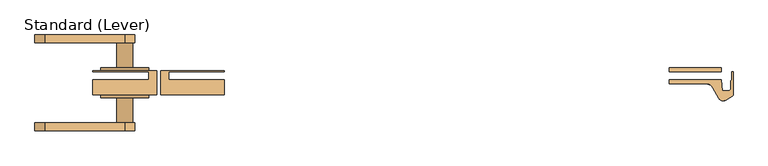
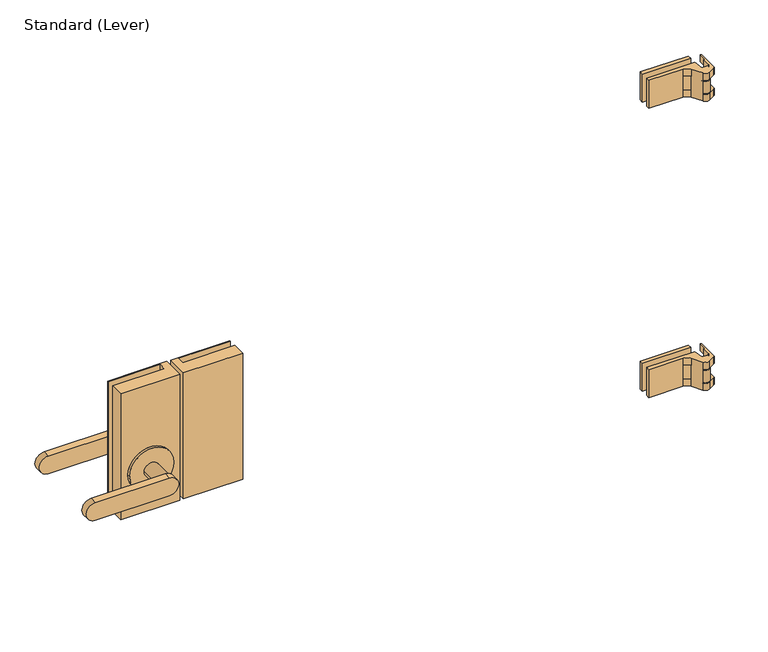
"""IFC4 building model written with IfcOpenShell, lengths in millimetres: door geometry, Standard (Lever)."""

from ifc_helpers import new_model, si_unit, frame, origin, place, context, project, spatial, polyline, circle_curve, outline, extrude, source, transform, mapped, element, save
from ifc_brep_helpers import plane_surface, cylinder_surface, revolved_surface, advanced_brep


def standard_lever_eec318dc(model_context):
    return source(origin(), model_context, "Body", "SolidModel", [
        extrude(outline(polyline([(-592.1375, -29.36875), (-592.1375, 8.73125), (-490.5375, 8.73125), (-490.5375, 7.14375), (-579.4375, 7.14375), (-579.4375, -5.55625), (-490.5375, -5.55625), (-490.5375, -29.36875), (-592.1375, -29.36875)])), frame((0.0, 0.0, 889.0), z_axis=(0.0, 0.0, 1.0), x_axis=(1.0, 0.0, 0.0)), (0.0, 0.0, 1.0), 228.6),
        advanced_brep(
        [(-598.4875, -29.36875, 1117.6), (-598.4875, 8.73125, 1117.6), (-700.0875, 8.73125, 1117.6), (-700.0875, 7.14375, 1117.6), (-611.1875, 7.14375, 1117.6), (-611.1875, -5.55625, 1117.6), (-700.0875, -5.55625, 1117.6), (-700.0875, -29.36875, 1117.6), (-598.4875, -29.36875, 889.0), (-700.0875, -29.36875, 889.0), (-700.0875, -5.55625, 889.0), (-611.1875, -5.55625, 889.0), (-611.1875, 7.14375, 889.0), (-700.0875, 7.14375, 889.0), (-700.0875, 8.73125, 889.0), (-598.4875, 8.73125, 889.0), (-611.1875, -29.36875, 965.2), (-687.3875, -29.36875, 965.2), (-611.1875, 13.49375, 965.2), (-687.3875, 13.49375, 965.2), (-661.9875, 13.49375, 965.2), (-636.5875, 13.49375, 965.2), (-611.1875, 8.73125, 965.2), (-687.3875, 8.73125, 965.2), (-636.5875, 53.18125, 965.2), (-661.9875, 53.18125, 965.2), (-776.2875, 65.88125, 949.325), (-776.2875, 65.88125, 981.075), (-649.2875, 65.88125, 981.075), (-649.2875, 65.88125, 949.325), (-776.2875, 53.18125, 949.325), (-649.2875, 53.18125, 949.325), (-649.2875, 53.18125, 981.075), (-776.2875, 53.18125, 981.075), (-636.5875, -34.13125, 965.2), (-636.5875, -73.81875, 965.2), (-661.9875, -73.81875, 965.2), (-661.9875, -34.13125, 965.2), (-611.1875, -34.13125, 965.2), (-687.3875, -34.13125, 965.2), (-649.2875, -73.81875, 949.325), (-776.2875, -73.81875, 949.325), (-776.2875, -73.81875, 981.075), (-649.2875, -73.81875, 981.075), (-649.2875, -86.51875, 949.325), (-649.2875, -86.51875, 981.075), (-776.2875, -86.51875, 981.075), (-776.2875, -86.51875, 949.325)],
        [
            (0, 1),
            (1, 2),
            (2, 3),
            (3, 4),
            (4, 5),
            (5, 6),
            (6, 7),
            (7, 0),
            (8, 9),
            (9, 10),
            (10, 11),
            (11, 12),
            (12, 13),
            (13, 14),
            (14, 15),
            (15, 8),
            (0, 8),
            (15, 1),
            (5, 11),
            (10, 6),
            (9, 7),
            (16, 17, circle_curve(frame((-649.2875, -29.36875, 965.2), z_axis=(0.0, 1.0, 0.0), x_axis=(-1.0, 0.0, 0.0)), 38.1)),
            (17, 16, circle_curve(frame((-649.2875, -29.36875, 965.2), z_axis=(0.0, 1.0, 0.0), x_axis=(-1.0, 0.0, 0.0)), 38.1)),
            (2, 14),
            (13, 3),
            (12, 4),
            (18, 19, circle_curve(frame((-649.2875, 13.49375, 965.2), z_axis=(0.0, 1.0, 0.0), x_axis=(-1.0, 0.0, 0.0)), 38.1)),
            (19, 18, circle_curve(frame((-649.2875, 13.49375, 965.2), z_axis=(0.0, 1.0, 0.0), x_axis=(-1.0, 0.0, 0.0)), 38.1)),
            (20, 21, circle_curve(frame((-649.2875, 13.49375, 965.2), z_axis=(0.0, -1.0, 0.0), x_axis=(-1.0, 0.0, 0.0)), 12.7)),
            (21, 20, circle_curve(frame((-649.2875, 13.49375, 965.2), z_axis=(0.0, -1.0, 0.0), x_axis=(-1.0, 0.0, 0.0)), 12.7)),
            (18, 22),
            (22, 23, circle_curve(frame((-649.2875, 8.73125, 965.2), z_axis=(0.0, 1.0, 0.0), x_axis=(-1.0, 0.0, 0.0)), 38.1)),
            (23, 19),
            (23, 22, circle_curve(frame((-649.2875, 8.73125, 965.2), z_axis=(0.0, 1.0, 0.0), x_axis=(-1.0, 0.0, 0.0)), 38.1)),
            (24, 21),
            (20, 25),
            (25, 24, circle_curve(frame((-649.2875, 53.18125, 965.2), z_axis=(0.0, -1.0, 0.0), x_axis=(-1.0, 0.0, 0.0)), 12.7)),
            (24, 25, circle_curve(frame((-649.2875, 53.18125, 965.2), z_axis=(0.0, -1.0, 0.0), x_axis=(-1.0, 0.0, 0.0)), 12.7)),
            (26, 27, circle_curve(frame((-776.2875, 65.88125, 965.2), z_axis=(0.0, 1.0, 0.0), x_axis=(-1.0, 0.0, 0.0)), 15.875)),
            (27, 28),
            (28, 29, circle_curve(frame((-649.2875, 65.88125, 965.2), z_axis=(0.0, 1.0, 0.0), x_axis=(-1.0, 0.0, 0.0)), 15.875)),
            (29, 26),
            (30, 31),
            (31, 32, circle_curve(frame((-649.2875, 53.18125, 965.2), z_axis=(0.0, -1.0, 0.0), x_axis=(-1.0, 0.0, 0.0)), 15.875)),
            (32, 33),
            (33, 30, circle_curve(frame((-776.2875, 53.18125, 965.2), z_axis=(0.0, -1.0, 0.0), x_axis=(-1.0, 0.0, 0.0)), 15.875)),
            (26, 30),
            (33, 27),
            (32, 28),
            (31, 29),
            (34, 35),
            (35, 36, circle_curve(frame((-649.2875, -73.81875, 965.2), z_axis=(0.0, 1.0, 0.0), x_axis=(-1.0, 0.0, 0.0)), 12.7)),
            (36, 37),
            (37, 34, circle_curve(frame((-649.2875, -34.13125, 965.2), z_axis=(0.0, -1.0, 0.0), x_axis=(-1.0, 0.0, 0.0)), 12.7)),
            (34, 37, circle_curve(frame((-649.2875, -34.13125, 965.2), z_axis=(0.0, -1.0, 0.0), x_axis=(-1.0, 0.0, 0.0)), 12.7)),
            (36, 35, circle_curve(frame((-649.2875, -73.81875, 965.2), z_axis=(0.0, 1.0, 0.0), x_axis=(-1.0, 0.0, 0.0)), 12.7)),
            (38, 39, circle_curve(frame((-649.2875, -34.13125, 965.2), z_axis=(0.0, -1.0, 0.0), x_axis=(-1.0, 0.0, 0.0)), 38.1)),
            (39, 38, circle_curve(frame((-649.2875, -34.13125, 965.2), z_axis=(0.0, -1.0, 0.0), x_axis=(-1.0, 0.0, 0.0)), 38.1)),
            (39, 17),
            (16, 38),
            (40, 41),
            (41, 42, circle_curve(frame((-776.2875, -73.81875, 965.2), z_axis=(0.0, 1.0, 0.0), x_axis=(-1.0, 0.0, 0.0)), 15.875)),
            (42, 43),
            (43, 40, circle_curve(frame((-649.2875, -73.81875, 965.2), z_axis=(0.0, 1.0, 0.0), x_axis=(-1.0, 0.0, 0.0)), 15.875)),
            (44, 45, circle_curve(frame((-649.2875, -86.51875, 965.2), z_axis=(0.0, -1.0, 0.0), x_axis=(-1.0, 0.0, 0.0)), 15.875)),
            (45, 46),
            (46, 47, circle_curve(frame((-776.2875, -86.51875, 965.2), z_axis=(0.0, -1.0, 0.0), x_axis=(-1.0, 0.0, 0.0)), 15.875)),
            (47, 44),
            (40, 44),
            (47, 41),
            (46, 42),
            (45, 43),
        ],
        [
            plane_surface(frame((-598.4875, -117.2130478, 1117.6), z_axis=(0.0, 0.0, 1.0), x_axis=(0.0, 1.0, 0.0))),
            plane_surface(frame((-598.4875, -117.2130478, 889.0), z_axis=(0.0, 0.0, -1.0), x_axis=(0.0, -1.0, 0.0))),
            plane_surface(frame((-598.4875, -29.36875, 1117.6), z_axis=(1.0, 0.0, 0.0), x_axis=(0.0, 0.0, -1.0))),
            plane_surface(frame((-611.1875, -5.55625, 1117.6), z_axis=(0.0, 1.0, 0.0), x_axis=(0.0, 0.0, -1.0))),
            plane_surface(frame((-700.0875, -5.55625, 1117.6), z_axis=(-1.0, 0.0, 0.0), x_axis=(0.0, 0.0, -1.0))),
            plane_surface(frame((-700.0875, -29.36875, 1117.6), z_axis=(0.0, -1.0, 0.0), x_axis=(0.0, 0.0, -1.0))),
            plane_surface(frame((-700.0875, 8.73125, 1117.6), z_axis=(-1.0, 0.0, 0.0), x_axis=(0.0, 0.0, -1.0))),
            plane_surface(frame((-700.0875, 7.14375, 1117.6), z_axis=(0.0, -1.0, 0.0), x_axis=(0.0, 0.0, -1.0))),
            plane_surface(frame((-687.3875, 13.49375, 965.2), z_axis=(0.0, 1.0, 0.0), x_axis=(0.0, 0.0, 1.0))),
            cylinder_surface(frame((-649.2875, 8.73125, 965.2), z_axis=(0.0, 1.0, 0.0), x_axis=(-1.0, 0.0, 0.0)), 38.1),
            cylinder_surface(frame((-649.2875, 13.49375, 965.2), z_axis=(0.0, 1.0, 0.0), x_axis=(-1.0, 0.0, 0.0)), 12.7),
            plane_surface(frame((-792.1625, 65.88125, 965.2), z_axis=(0.0, 1.0, 0.0), x_axis=(0.0, 0.0, 1.0))),
            plane_surface(frame((-792.1625, 53.18125, 965.2), z_axis=(0.0, -1.0, 0.0), x_axis=(0.0, 0.0, -1.0))),
            cylinder_surface(frame((-776.2875, 53.18125, 965.2), z_axis=(0.0, 1.0, 0.0), x_axis=(-1.0, 0.0, 0.0)), 15.875),
            plane_surface(frame((-776.2875, 65.88125, 981.075), z_axis=(0.0, 0.0, 1.0), x_axis=(0.0, -1.0, 0.0))),
            cylinder_surface(frame((-649.2875, 53.18125, 965.2), z_axis=(0.0, 1.0, 0.0), x_axis=(-1.0, 0.0, 0.0)), 15.875),
            plane_surface(frame((-649.2875, 65.88125, 949.325), z_axis=(0.0, 0.0, -1.0), x_axis=(0.0, -1.0, 0.0))),
            cylinder_surface(frame((-649.2875, -73.81875, 965.2), z_axis=(0.0, 1.0, 0.0), x_axis=(-1.0, 0.0, 0.0)), 12.7),
            plane_surface(frame((-687.3875, -34.13125, 965.2), z_axis=(0.0, -1.0, 0.0), x_axis=(0.0, 0.0, -1.0))),
            cylinder_surface(frame((-649.2875, -34.13125, 965.2), z_axis=(0.0, 1.0, 0.0), x_axis=(-1.0, 0.0, 0.0)), 38.1),
            plane_surface(frame((-649.2875, -73.81875, 949.325), z_axis=(0.0, 1.0, 0.0), x_axis=(-1.0, 0.0, 0.0))),
            plane_surface(frame((-649.2875, -86.51875, 949.325), z_axis=(0.0, -1.0, 0.0), x_axis=(1.0, 0.0, 0.0))),
            plane_surface(frame((-649.2875, -73.81875, 949.325), z_axis=(0.0, 0.0, -1.0), x_axis=(0.0, -1.0, 0.0))),
            cylinder_surface(frame((-776.2875, -86.51875, 965.2), z_axis=(0.0, 1.0, 0.0), x_axis=(-1.0, 0.0, 0.0)), 15.875),
            plane_surface(frame((-776.2875, -73.81875, 981.075), z_axis=(0.0, 0.0, 1.0), x_axis=(0.0, -1.0, 0.0))),
            cylinder_surface(frame((-649.2875, -86.51875, 965.2), z_axis=(0.0, 1.0, 0.0), x_axis=(-1.0, 0.0, 0.0)), 15.875),
            plane_surface(frame((-598.4875, 8.73125, 1117.6), z_axis=(0.0, 1.0, 0.0), x_axis=(0.0, 0.0, -1.0))),
            plane_surface(frame((-611.1875, 7.14375, 1117.6), z_axis=(-1.0, 0.0, 0.0), x_axis=(0.0, 0.0, -1.0))),
        ],
        [
            (0, [[1, 2, 3, 4, 5, 6, 7, 8]]),
            (1, [[9, 10, 11, 12, 13, 14, 15, 16]]),
            (2, [[-1, 17, -16, 18]]),
            (3, [[-6, 19, -11, 20]]),
            (4, [[-7, -20, -10, 21]]),
            (5, [[-8, -21, -9, -17], [22, 23]]),
            (6, [[-3, 24, -14, 25]]),
            (7, [[-4, -25, -13, 26]]),
            (8, [[27, 28], [29, 30]]),
            (9, [[-27, 31, 32, 33]]),
            (9, [[-28, -33, 34, -31]]),
            (10, [[35, -29, 36, 37]]),
            (10, [[-35, 38, -36, -30]]),
            (11, [[39, 40, 41, 42]]),
            (12, [[43, 44, 45, 46], [-37, -38]]),
            (13, [[-39, 47, -46, 48]]),
            (14, [[-40, -48, -45, 49]]),
            (15, [[-41, -49, -44, 50]]),
            (16, [[-42, -50, -43, -47]]),
            (17, [[51, 52, 53, 54]]),
            (17, [[-51, 55, -53, 56]]),
            (18, [[57, 58], [-54, -55]]),
            (19, [[-58, 59, -22, 60]]),
            (19, [[-57, -60, -23, -59]]),
            (20, [[61, 62, 63, 64], [-52, -56]]),
            (21, [[65, 66, 67, 68]]),
            (22, [[-61, 69, -68, 70]]),
            (23, [[-62, -70, -67, 71]]),
            (24, [[-63, -71, -66, 72]]),
            (25, [[-64, -72, -65, -69]]),
            (26, [[-2, -18, -15, -24], [-32, -34]]),
            (27, [[-5, -26, -12, -19]]),
        ],
    ),
        advanced_brep(
        [(302.2203125, -23.0182831, 1354.6666667), (300.0375584, -5.55625, 1354.6666667), (217.4875, -5.55625, 1354.6666667), (217.4875, -11.90625, 1354.6666667), (275.716463, -11.90625, 1354.6666667), (286.7149856, -18.25625, 1354.6666667), (296.3384234, -34.9245331, 1354.6666667), (307.18125, -37.8298597, 1354.6666667), (317.5, -31.8723266, 1354.6666667), (319.0875, -29.122696, 1354.6666667), (319.0875, 7.1442169, 1354.6666667), (317.08725, 7.1442169, 1354.6666667), (317.08725, -5.5557831, 1354.6666667), (315.087, -6.710628, 1354.6666667), (315.087, -19.8432831, 1354.6666667), (311.912, -23.0182831, 1354.6666667), (302.2203125, -23.0182831, 1341.9666667), (311.912, -23.0182831, 1341.9666667), (315.087, -19.8432831, 1341.9666667), (315.087, -6.710628, 1341.9666667), (317.08725, -5.5557831, 1341.9666667), (317.08725, 7.1442169, 1341.9666667), (319.0875, 7.1442169, 1341.9666667), (319.0875, -29.122696, 1341.9666667), (317.5, -31.8723266, 1341.9666667), (307.18125, -37.8298597, 1341.9666667), (296.3384234, -34.9245331, 1341.9666667), (302.2279743, -23.0795774, 1340.3791667), (302.2279743, -23.0795774, 1318.1541667), (302.2279743, -23.0795774, 1316.5666667), (302.2203125, -23.0182831, 1303.8666667), (300.0375584, -5.55625, 1303.8666667), (217.4875, -5.55625, 1303.8666667), (217.4875, -11.90625, 1303.8666667), (275.716463, -11.90625, 1303.8666667), (275.716463, -11.90625, 1316.5666667), (275.716463, -11.90625, 1341.9666667), (286.7149856, -18.25625, 1341.9666667), (286.7149856, -18.25625, 1316.5666667), (286.7149856, -18.25625, 1303.8666667), (296.3384234, -34.9245331, 1303.8666667), (296.3384234, -34.9245331, 1316.5666667), (296.3384234, -34.9245331, 1318.1541667), (296.3384234, -34.9245331, 1340.3791667), (295.275, -30.9557831, 1340.3791667), (295.275, -30.9557831, 1318.1541667), (307.18125, -37.8298597, 1316.5666667), (317.5, -31.8723266, 1316.5666667), (319.0875, -29.122696, 1316.5666667), (319.0875, 7.1442169, 1316.5666667), (317.08725, 7.1442169, 1316.5666667), (317.08725, -5.5557831, 1316.5666667), (315.087, -6.710628, 1316.5666667), (315.087, -19.8432831, 1316.5666667), (311.912, -23.0182831, 1316.5666667), (311.912, -23.0182831, 1303.8666667), (315.087, -19.8432831, 1303.8666667), (315.087, -6.710628, 1303.8666667), (317.08725, -5.5557831, 1303.8666667), (317.08725, 7.1442169, 1303.8666667), (319.0875, 7.1442169, 1303.8666667), (319.0875, -29.122696, 1303.8666667), (317.5, -31.8723266, 1303.8666667), (307.18125, -37.8298597, 1303.8666667), (311.15, -30.9557831, 1340.3791667), (306.3875, -30.9557831, 1340.3791667), (300.0375, -30.9557831, 1340.3791667), (311.15, -30.9557831, 1318.1541667), (306.3875, -30.9557831, 1318.1541667), (300.0375, -30.9557831, 1318.1541667)],
        [
            (0, 1),
            (1, 2),
            (2, 3),
            (3, 4),
            (4, 5, circle_curve(frame((275.716463, -24.60625, 1354.6666667), z_axis=(0.0, 0.0, -1.0), x_axis=(0.0, 1.0, 0.0)), 12.7)),
            (5, 6),
            (6, 7, circle_curve(frame((303.2125, -30.9557831, 1354.6666667), z_axis=(0.0, 0.0, 1.0), x_axis=(0.0, 1.0, 0.0)), 7.9375)),
            (7, 8),
            (8, 9, circle_curve(frame((315.9125, -29.122696, 1354.6666667), z_axis=(0.0, 0.0, 1.0), x_axis=(0.5000000000000575, -0.8660254037844055, 0.0)), 3.175)),
            (9, 10),
            (10, 11),
            (11, 12),
            (12, 13),
            (13, 14),
            (14, 15, circle_curve(frame((311.912, -19.8432831, 1354.6666667), z_axis=(0.0, 0.0, -1.0), x_axis=(1.0, 0.0, 0.0)), 3.175)),
            (15, 0),
            (16, 17),
            (17, 18, circle_curve(frame((311.912, -19.8432831, 1341.9666667), z_axis=(0.0, 0.0, 1.0), x_axis=(1.0, 0.0, 0.0)), 3.175)),
            (18, 19),
            (19, 20),
            (20, 21),
            (21, 22),
            (22, 23),
            (23, 24, circle_curve(frame((315.9125, -29.122696, 1341.9666667), z_axis=(0.0, 0.0, -1.0), x_axis=(0.5000000000000575, -0.8660254037844055, 0.0)), 3.175)),
            (24, 25),
            (25, 26, circle_curve(frame((303.2125, -30.9557831, 1341.9666667), z_axis=(0.0, 0.0, -1.0), x_axis=(0.0, 1.0, 0.0)), 7.9375)),
            (26, 16, circle_curve(frame((303.2125, -30.9557831, 1341.9666667), z_axis=(0.0, 0.0, -1.0), x_axis=(0.0, 1.0, 0.0)), 7.9375)),
            (7, 25),
            (24, 8),
            (23, 9),
            (22, 10),
            (21, 11),
            (20, 12),
            (19, 13),
            (18, 14),
            (17, 15),
            (16, 0),
            (16, 27),
            (27, 28),
            (28, 29),
            (29, 30),
            (30, 31),
            (31, 1),
            (31, 32),
            (32, 2),
            (32, 33),
            (33, 3),
            (33, 34),
            (34, 35),
            (35, 36),
            (36, 4),
            (36, 37, circle_curve(frame((275.716463, -24.60625, 1341.9666667), z_axis=(0.0, 0.0, -1.0), x_axis=(0.0, 1.0, 0.0)), 12.7)),
            (37, 5),
            (37, 38),
            (38, 39),
            (39, 40),
            (40, 41),
            (41, 42),
            (42, 43),
            (43, 26),
            (26, 6),
            (35, 38, circle_curve(frame((275.716463, -24.60625, 1316.5666667), z_axis=(0.0, 0.0, -1.0), x_axis=(0.0, 1.0, 0.0)), 12.7)),
            (43, 44, circle_curve(frame((303.2125, -30.9557831, 1340.3791667), z_axis=(0.0, 0.0, -1.0), x_axis=(0.0, 1.0, 0.0)), 7.9375)),
            (44, 27, circle_curve(frame((303.2125, -30.9557831, 1340.3791667), z_axis=(0.0, 0.0, -1.0), x_axis=(0.0, 1.0, 0.0)), 7.9375)),
            (41, 29, circle_curve(frame((303.2125, -30.9557831, 1316.5666667), z_axis=(0.0, 0.0, -1.0), x_axis=(0.0, 1.0, 0.0)), 7.9375)),
            (28, 45, circle_curve(frame((303.2125, -30.9557831, 1318.1541667), z_axis=(0.0, 0.0, 1.0), x_axis=(0.0, 1.0, 0.0)), 7.9375)),
            (45, 42, circle_curve(frame((303.2125, -30.9557831, 1318.1541667), z_axis=(0.0, 0.0, 1.0), x_axis=(0.0, 1.0, 0.0)), 7.9375)),
            (41, 46, circle_curve(frame((303.2125, -30.9557831, 1316.5666667), z_axis=(0.0, 0.0, 1.0), x_axis=(0.0, 1.0, 0.0)), 7.9375)),
            (46, 47),
            (47, 48, circle_curve(frame((315.9125, -29.122696, 1316.5666667), z_axis=(0.0, 0.0, 1.0), x_axis=(0.5000000000000575, -0.8660254037844055, 0.0)), 3.175)),
            (48, 49),
            (49, 50),
            (50, 51),
            (51, 52),
            (52, 53),
            (53, 54, circle_curve(frame((311.912, -19.8432831, 1316.5666667), z_axis=(0.0, 0.0, -1.0), x_axis=(1.0, 0.0, 0.0)), 3.175)),
            (54, 29),
            (30, 55),
            (55, 56, circle_curve(frame((311.912, -19.8432831, 1303.8666667), z_axis=(0.0, 0.0, 1.0), x_axis=(1.0, 0.0, 0.0)), 3.175)),
            (56, 57),
            (57, 58),
            (58, 59),
            (59, 60),
            (60, 61),
            (61, 62, circle_curve(frame((315.9125, -29.122696, 1303.8666667), z_axis=(0.0, 0.0, -1.0), x_axis=(0.5000000000000575, -0.8660254037844055, 0.0)), 3.175)),
            (62, 63),
            (63, 40, circle_curve(frame((303.2125, -30.9557831, 1303.8666667), z_axis=(0.0, 0.0, -1.0), x_axis=(0.0, 1.0, 0.0)), 7.9375)),
            (39, 34, circle_curve(frame((275.716463, -24.60625, 1303.8666667), z_axis=(0.0, 0.0, 1.0), x_axis=(0.0, 1.0, 0.0)), 12.7)),
            (63, 46),
            (62, 47),
            (61, 48),
            (60, 49),
            (59, 50),
            (58, 51),
            (57, 52),
            (56, 53),
            (55, 54),
            (64, 27, circle_curve(frame((303.2125, -30.9557831, 1340.3791667), z_axis=(0.0, 0.0, 1.0), x_axis=(-1.0, 0.0, 0.0)), 7.9375)),
            (43, 64, circle_curve(frame((303.2125, -30.9557831, 1340.3791667), z_axis=(0.0, 0.0, 1.0), x_axis=(-1.0, 0.0, 0.0)), 7.9375)),
            (65, 66, circle_curve(frame((303.2125, -30.9557831, 1340.3791667), z_axis=(0.0, 0.0, -1.0), x_axis=(-1.0, 0.0, 0.0)), 3.175)),
            (66, 65, circle_curve(frame((303.2125, -30.9557831, 1340.3791667), z_axis=(0.0, 0.0, -1.0), x_axis=(-1.0, 0.0, 0.0)), 3.175)),
            (28, 67, circle_curve(frame((303.2125, -30.9557831, 1318.1541667), z_axis=(0.0, 0.0, -1.0), x_axis=(-1.0, 0.0, 0.0)), 7.9375)),
            (67, 42, circle_curve(frame((303.2125, -30.9557831, 1318.1541667), z_axis=(0.0, 0.0, -1.0), x_axis=(-1.0, 0.0, 0.0)), 7.9375)),
            (68, 69, circle_curve(frame((303.2125, -30.9557831, 1318.1541667), z_axis=(0.0, 0.0, 1.0), x_axis=(-1.0, 0.0, 0.0)), 3.175)),
            (69, 68, circle_curve(frame((303.2125, -30.9557831, 1318.1541667), z_axis=(0.0, 0.0, 1.0), x_axis=(-1.0, 0.0, 0.0)), 3.175)),
            (65, 68),
            (69, 66),
            (64, 67),
        ],
        [
            plane_surface(frame((302.2203125, -23.0182831, 1354.6666667), z_axis=(0.0, 0.0, 1.0), x_axis=(-0.12403473458190235, 0.9922778767145809, 0.0))),
            plane_surface(frame((302.2203125, -23.0182831, 1341.9666667), z_axis=(0.0, 0.0, -1.0), x_axis=(0.12403473458190235, -0.9922778767145809, 0.0))),
            plane_surface(frame((307.18125, -37.8298597, 1354.6666667), z_axis=(0.5000000000001321, -0.8660254037843624, 0.0), x_axis=(0.0, 0.0, -1.0))),
            cylinder_surface(frame((315.9125, -29.122696, 1341.9666667), z_axis=(0.0, 0.0, 1.0), x_axis=(0.5000000000000575, -0.8660254037844055, 0.0)), 3.175),
            plane_surface(frame((319.0875, -29.122696, 1354.6666667), z_axis=(1.0, 0.0, 0.0), x_axis=(0.0, 0.0, -1.0))),
            plane_surface(frame((319.0875, 7.1442169, 1354.6666667), z_axis=(0.0, 1.0, 0.0), x_axis=(0.0, 0.0, -1.0))),
            plane_surface(frame((317.08725, 7.1442169, 1354.6666667), z_axis=(-1.0, 0.0, 0.0), x_axis=(0.0, 0.0, -1.0))),
            plane_surface(frame((317.08725, -5.5557831, 1354.6666667), z_axis=(-0.4999999999997088, 0.8660254037846068, 0.0), x_axis=(0.0, 0.0, -1.0))),
            plane_surface(frame((315.087, -6.710628, 1354.6666667), z_axis=(-1.0, 0.0, 0.0), x_axis=(0.0, 0.0, -1.0))),
            revolved_surface(polyline([(315.087, -19.8432831, 1341.9666667), (315.087, -19.8432831, 1354.6666667)]), (311.912, -19.8432831, 1341.9666667), (0.0, 0.0, -1.0)),
            plane_surface(frame((311.912, -23.0182831, 1354.6666667), z_axis=(0.0, 1.0, 0.0), x_axis=(0.0, 0.0, -1.0))),
            plane_surface(frame((302.2203125, -23.0182831, 1354.6666667), z_axis=(0.9922778767145809, 0.12403473458190235, 0.0), x_axis=(0.0, 0.0, -1.0))),
            plane_surface(frame((300.0375584, -5.55625, 1354.6666667), z_axis=(0.0, 1.0, 0.0), x_axis=(0.0, 0.0, -1.0))),
            plane_surface(frame((217.4875, -5.55625, 1354.6666667), z_axis=(-1.0, 0.0, 0.0), x_axis=(0.0, 0.0, -1.0))),
            plane_surface(frame((217.4875, -11.90625, 1354.6666667), z_axis=(0.0, -1.0, 0.0), x_axis=(0.0, 0.0, -1.0))),
            revolved_surface(polyline([(275.716463, -11.90625, 1341.9666667), (275.716463, -11.90625, 1354.6666667)]), (275.716463, -24.60625, 1341.9666667), (0.0, 0.0, -1.0)),
            plane_surface(frame((286.7149856, -18.25625, 1354.6666667), z_axis=(-0.8660254037845987, -0.49999999999972294, 0.0), x_axis=(0.0, 0.0, -1.0))),
            cylinder_surface(frame((303.2125, -30.9557831, 1341.9666667), z_axis=(0.0, 0.0, 1.0), x_axis=(0.0, 1.0, 0.0)), 7.9375),
            revolved_surface(polyline([(275.716463, -11.90625, 1316.5666667), (275.716463, -11.90625, 1341.9666667)]), (275.716463, -24.60625, 1316.5666667), (0.0, 0.0, -1.0)),
            revolved_surface(polyline([(303.2125, -23.0182831, 1340.3791667), (303.2125, -23.0182831, 1341.9666667)]), (303.2125, -30.9557831, 1316.5666667), (0.0, 0.0, -1.0)),
            revolved_surface(polyline([(303.2125, -23.0182831, 1316.5666667), (303.2125, -23.0182831, 1318.1541667)]), (303.2125, -30.9557831, 1316.5666667), (0.0, 0.0, -1.0)),
            plane_surface(frame((302.2279743, -23.0795774, 1316.5666667), z_axis=(0.0, 0.0, 1.0), x_axis=(-0.1240347345819024, 0.9922778767145809, 0.0))),
            plane_surface(frame((302.2279743, -23.0795774, 1303.8666667), z_axis=(0.0, 0.0, -1.0), x_axis=(0.1240347345819024, -0.9922778767145809, 0.0))),
            cylinder_surface(frame((303.2125, -30.9557831, 1303.8666667), z_axis=(0.0, 0.0, 1.0), x_axis=(0.0, 1.0, 0.0)), 7.9375),
            plane_surface(frame((307.18125, -37.8298597, 1316.5666667), z_axis=(0.500000000000132, -0.8660254037843624, 0.0), x_axis=(0.0, 0.0, -1.0))),
            cylinder_surface(frame((315.9125, -29.122696, 1303.8666667), z_axis=(0.0, 0.0, 1.0), x_axis=(0.5000000000000575, -0.8660254037844055, 0.0)), 3.175),
            plane_surface(frame((319.0875, -29.122696, 1316.5666667), z_axis=(1.0, 0.0, 0.0), x_axis=(0.0, 0.0, -1.0))),
            plane_surface(frame((319.0875, 7.1442169, 1316.5666667), z_axis=(0.0, 1.0, 0.0), x_axis=(0.0, 0.0, -1.0))),
            plane_surface(frame((317.08725, 7.1442169, 1316.5666667), z_axis=(-1.0, 0.0, 0.0), x_axis=(0.0, 0.0, -1.0))),
            plane_surface(frame((317.08725, -5.5557831, 1316.5666667), z_axis=(-0.4999999999997088, 0.8660254037846068, 0.0), x_axis=(0.0, 0.0, -1.0))),
            plane_surface(frame((315.087, -6.710628, 1316.5666667), z_axis=(-1.0, 0.0, 0.0), x_axis=(0.0, 0.0, -1.0))),
            revolved_surface(polyline([(315.087, -19.8432831, 1303.8666667), (315.087, -19.8432831, 1316.5666667)]), (311.912, -19.8432831, 1303.8666667), (0.0, 0.0, -1.0)),
            plane_surface(frame((311.912, -23.0182831, 1316.5666667), z_axis=(0.0, 1.0, 0.0), x_axis=(0.0, 0.0, -1.0))),
            revolved_surface(polyline([(275.716463, -11.90625, 1303.8666667), (275.716463, -11.90625, 1316.5666667)]), (275.716463, -24.60625, 1303.8666667), (0.0, 0.0, -1.0)),
            plane_surface(frame((300.0375, -30.9557831, 1340.3791667), z_axis=(0.0, 0.0, 1.0), x_axis=(0.0, 1.0, 0.0))),
            plane_surface(frame((300.0375, -30.9557831, 1318.1541667), z_axis=(0.0, 0.0, -1.0), x_axis=(0.0, -1.0, 0.0))),
            revolved_surface(polyline([(300.03749999999997, -30.9557831, 1318.1541667), (300.03749999999997, -30.9557831, 1340.3791667)]), (303.2125, -30.9557831, 1318.1541667), (0.0, 0.0, -1.0)),
            cylinder_surface(frame((303.2125, -30.9557831, 1303.8666667), z_axis=(0.0, 0.0, 1.0), x_axis=(-1.0, 0.0, 0.0)), 7.9375),
        ],
        [
            (0, [[1, 2, 3, 4, 5, 6, 7, 8, 9, 10, 11, 12, 13, 14, 15, 16]]),
            (1, [[17, 18, 19, 20, 21, 22, 23, 24, 25, 26, 27]]),
            (2, [[-8, 28, -25, 29]]),
            (3, [[-9, -29, -24, 30]]),
            (4, [[-10, -30, -23, 31]]),
            (5, [[-11, -31, -22, 32]]),
            (6, [[-12, -32, -21, 33]]),
            (7, [[-13, -33, -20, 34]]),
            (8, [[-14, -34, -19, 35]]),
            (9, [[-15, -35, -18, 36]]),
            (10, [[-16, -36, -17, 37]]),
            (11, [[-1, -37, 38, 39, 40, 41, 42, 43]]),
            (12, [[-2, -43, 44, 45]]),
            (13, [[-3, -45, 46, 47]]),
            (14, [[-4, -47, 48, 49, 50, 51]]),
            (15, [[-5, -51, 52, 53]]),
            (16, [[-6, -53, 54, 55, 56, 57, 58, 59, 60, 61]]),
            (17, [[-7, -61, -26, -28]]),
            (18, [[-50, 62, -54, -52]]),
            (19, [[-27, -60, 63, 64, -38]]),
            (20, [[65, -40, 66, 67, -58]]),
            (21, [[68, 69, 70, 71, 72, 73, 74, 75, 76, 77, -65]]),
            (22, [[78, 79, 80, 81, 82, 83, 84, 85, 86, 87, -56, 88, -48, -46, -44, -42]]),
            (23, [[-68, -57, -87, 89]]),
            (24, [[-69, -89, -86, 90]]),
            (25, [[-70, -90, -85, 91]]),
            (26, [[-71, -91, -84, 92]]),
            (27, [[-72, -92, -83, 93]]),
            (28, [[-73, -93, -82, 94]]),
            (29, [[-74, -94, -81, 95]]),
            (30, [[-75, -95, -80, 96]]),
            (31, [[-76, -96, -79, 97]]),
            (32, [[-77, -97, -78, -41]]),
            (33, [[-88, -55, -62, -49]]),
            (34, [[98, -64, -63, 99], [100, 101]]),
            (35, [[102, 103, -67, -66], [104, 105]]),
            (36, [[-100, 106, -105, 107]]),
            (36, [[-101, -107, -104, -106]]),
            (37, [[108, -102, -39, -98]]),
            (37, [[-108, -99, -59, -103]]),
        ],
    ),
        extrude(outline(polyline([(217.4875, 13.49375), (300.0375, 13.49375), (300.0375, 7.14375), (217.4875, 7.14375), (217.4875, 13.49375)])), frame((0.0, 0.0, 1303.8666667), z_axis=(0.0, 0.0, 1.0), x_axis=(1.0, 0.0, 0.0)), (0.0, 0.0, 1.0), 50.8),
        advanced_brep(
        [(302.2203125, -23.0182831, 829.7333333), (300.0375584, -5.55625, 829.7333333), (217.4875, -5.55625, 829.7333333), (217.4875, -11.90625, 829.7333333), (275.716463, -11.90625, 829.7333333), (286.7149856, -18.25625, 829.7333333), (296.3384234, -34.9245331, 829.7333333), (307.18125, -37.8298597, 829.7333333), (317.5, -31.8723266, 829.7333333), (319.0875, -29.122696, 829.7333333), (319.0875, 7.1442169, 829.7333333), (317.08725, 7.1442169, 829.7333333), (317.08725, -5.5557831, 829.7333333), (315.087, -6.710628, 829.7333333), (315.087, -19.8432831, 829.7333333), (311.912, -23.0182831, 829.7333333), (302.2203125, -23.0182831, 817.0333333), (311.912, -23.0182831, 817.0333333), (315.087, -19.8432831, 817.0333333), (315.087, -6.710628, 817.0333333), (317.08725, -5.5557831, 817.0333333), (317.08725, 7.1442169, 817.0333333), (319.0875, 7.1442169, 817.0333333), (319.0875, -29.122696, 817.0333333), (317.5, -31.8723266, 817.0333333), (307.18125, -37.8298597, 817.0333333), (296.3384234, -34.9245331, 817.0333333), (302.2279743, -23.0795774, 815.4458333), (302.2279743, -23.0795774, 793.2208333), (302.2279743, -23.0795774, 791.6333333), (302.2203125, -23.0182831, 778.9333333), (300.0375584, -5.55625, 778.9333333), (217.4875, -5.55625, 778.9333333), (217.4875, -11.90625, 778.9333333), (275.716463, -11.90625, 778.9333333), (275.716463, -11.90625, 791.6333333), (275.716463, -11.90625, 817.0333333), (286.7149856, -18.25625, 817.0333333), (286.7149856, -18.25625, 791.6333333), (286.7149856, -18.25625, 778.9333333), (296.3384234, -34.9245331, 778.9333333), (296.3384234, -34.9245331, 791.6333333), (296.3384234, -34.9245331, 793.2208333), (296.3384234, -34.9245331, 815.4458333), (295.275, -30.9557831, 815.4458333), (295.275, -30.9557831, 793.2208333), (307.18125, -37.8298597, 791.6333333), (317.5, -31.8723266, 791.6333333), (319.0875, -29.122696, 791.6333333), (319.0875, 7.1442169, 791.6333333), (317.08725, 7.1442169, 791.6333333), (317.08725, -5.5557831, 791.6333333), (315.087, -6.710628, 791.6333333), (315.087, -19.8432831, 791.6333333), (311.912, -23.0182831, 791.6333333), (311.912, -23.0182831, 778.9333333), (315.087, -19.8432831, 778.9333333), (315.087, -6.710628, 778.9333333), (317.08725, -5.5557831, 778.9333333), (317.08725, 7.1442169, 778.9333333), (319.0875, 7.1442169, 778.9333333), (319.0875, -29.122696, 778.9333333), (317.5, -31.8723266, 778.9333333), (307.18125, -37.8298597, 778.9333333), (311.15, -30.9557831, 815.4458333), (306.3875, -30.9557831, 815.4458333), (300.0375, -30.9557831, 815.4458333), (311.15, -30.9557831, 793.2208333), (306.3875, -30.9557831, 793.2208333), (300.0375, -30.9557831, 793.2208333)],
        [
            (0, 1),
            (1, 2),
            (2, 3),
            (3, 4),
            (4, 5, circle_curve(frame((275.716463, -24.60625, 829.7333333), z_axis=(0.0, 0.0, -1.0), x_axis=(0.0, 1.0, 0.0)), 12.7)),
            (5, 6),
            (6, 7, circle_curve(frame((303.2125, -30.9557831, 829.7333333), z_axis=(0.0, 0.0, 1.0), x_axis=(0.0, 1.0, 0.0)), 7.9375)),
            (7, 8),
            (8, 9, circle_curve(frame((315.9125, -29.122696, 829.7333333), z_axis=(0.0, 0.0, 1.0), x_axis=(0.5000000000000575, -0.8660254037844055, 0.0)), 3.175)),
            (9, 10),
            (10, 11),
            (11, 12),
            (12, 13),
            (13, 14),
            (14, 15, circle_curve(frame((311.912, -19.8432831, 829.7333333), z_axis=(0.0, 0.0, -1.0), x_axis=(1.0, 0.0, 0.0)), 3.175)),
            (15, 0),
            (16, 17),
            (17, 18, circle_curve(frame((311.912, -19.8432831, 817.0333333), z_axis=(0.0, 0.0, 1.0), x_axis=(1.0, 0.0, 0.0)), 3.175)),
            (18, 19),
            (19, 20),
            (20, 21),
            (21, 22),
            (22, 23),
            (23, 24, circle_curve(frame((315.9125, -29.122696, 817.0333333), z_axis=(0.0, 0.0, -1.0), x_axis=(0.5000000000000575, -0.8660254037844055, 0.0)), 3.175)),
            (24, 25),
            (25, 26, circle_curve(frame((303.2125, -30.9557831, 817.0333333), z_axis=(0.0, 0.0, -1.0), x_axis=(0.0, 1.0, 0.0)), 7.9375)),
            (26, 16, circle_curve(frame((303.2125, -30.9557831, 817.0333333), z_axis=(0.0, 0.0, -1.0), x_axis=(0.0, 1.0, 0.0)), 7.9375)),
            (7, 25),
            (24, 8),
            (23, 9),
            (22, 10),
            (21, 11),
            (20, 12),
            (19, 13),
            (18, 14),
            (17, 15),
            (16, 0),
            (16, 27),
            (27, 28),
            (28, 29),
            (29, 30),
            (30, 31),
            (31, 1),
            (31, 32),
            (32, 2),
            (32, 33),
            (33, 3),
            (33, 34),
            (34, 35),
            (35, 36),
            (36, 4),
            (36, 37, circle_curve(frame((275.716463, -24.60625, 817.0333333), z_axis=(0.0, 0.0, -1.0), x_axis=(0.0, 1.0, 0.0)), 12.7)),
            (37, 5),
            (37, 38),
            (38, 39),
            (39, 40),
            (40, 41),
            (41, 42),
            (42, 43),
            (43, 26),
            (26, 6),
            (35, 38, circle_curve(frame((275.716463, -24.60625, 791.6333333), z_axis=(0.0, 0.0, -1.0), x_axis=(0.0, 1.0, 0.0)), 12.7)),
            (43, 44, circle_curve(frame((303.2125, -30.9557831, 815.4458333), z_axis=(0.0, 0.0, -1.0), x_axis=(0.0, 1.0, 0.0)), 7.9375)),
            (44, 27, circle_curve(frame((303.2125, -30.9557831, 815.4458333), z_axis=(0.0, 0.0, -1.0), x_axis=(0.0, 1.0, 0.0)), 7.9375)),
            (41, 29, circle_curve(frame((303.2125, -30.9557831, 791.6333333), z_axis=(0.0, 0.0, -1.0), x_axis=(0.0, 1.0, 0.0)), 7.9375)),
            (28, 45, circle_curve(frame((303.2125, -30.9557831, 793.2208333), z_axis=(0.0, 0.0, 1.0), x_axis=(0.0, 1.0, 0.0)), 7.9375)),
            (45, 42, circle_curve(frame((303.2125, -30.9557831, 793.2208333), z_axis=(0.0, 0.0, 1.0), x_axis=(0.0, 1.0, 0.0)), 7.9375)),
            (41, 46, circle_curve(frame((303.2125, -30.9557831, 791.6333333), z_axis=(0.0, 0.0, 1.0), x_axis=(0.0, 1.0, 0.0)), 7.9375)),
            (46, 47),
            (47, 48, circle_curve(frame((315.9125, -29.122696, 791.6333333), z_axis=(0.0, 0.0, 1.0), x_axis=(0.5000000000000575, -0.8660254037844055, 0.0)), 3.175)),
            (48, 49),
            (49, 50),
            (50, 51),
            (51, 52),
            (52, 53),
            (53, 54, circle_curve(frame((311.912, -19.8432831, 791.6333333), z_axis=(0.0, 0.0, -1.0), x_axis=(1.0, 0.0, 0.0)), 3.175)),
            (54, 29),
            (30, 55),
            (55, 56, circle_curve(frame((311.912, -19.8432831, 778.9333333), z_axis=(0.0, 0.0, 1.0), x_axis=(1.0, 0.0, 0.0)), 3.175)),
            (56, 57),
            (57, 58),
            (58, 59),
            (59, 60),
            (60, 61),
            (61, 62, circle_curve(frame((315.9125, -29.122696, 778.9333333), z_axis=(0.0, 0.0, -1.0), x_axis=(0.5000000000000575, -0.8660254037844055, 0.0)), 3.175)),
            (62, 63),
            (63, 40, circle_curve(frame((303.2125, -30.9557831, 778.9333333), z_axis=(0.0, 0.0, -1.0), x_axis=(0.0, 1.0, 0.0)), 7.9375)),
            (39, 34, circle_curve(frame((275.716463, -24.60625, 778.9333333), z_axis=(0.0, 0.0, 1.0), x_axis=(0.0, 1.0, 0.0)), 12.7)),
            (63, 46),
            (62, 47),
            (61, 48),
            (60, 49),
            (59, 50),
            (58, 51),
            (57, 52),
            (56, 53),
            (55, 54),
            (64, 27, circle_curve(frame((303.2125, -30.9557831, 815.4458333), z_axis=(0.0, 0.0, 1.0), x_axis=(-1.0, 0.0, 0.0)), 7.9375)),
            (43, 64, circle_curve(frame((303.2125, -30.9557831, 815.4458333), z_axis=(0.0, 0.0, 1.0), x_axis=(-1.0, 0.0, 0.0)), 7.9375)),
            (65, 66, circle_curve(frame((303.2125, -30.9557831, 815.4458333), z_axis=(0.0, 0.0, -1.0), x_axis=(-1.0, 0.0, 0.0)), 3.175)),
            (66, 65, circle_curve(frame((303.2125, -30.9557831, 815.4458333), z_axis=(0.0, 0.0, -1.0), x_axis=(-1.0, 0.0, 0.0)), 3.175)),
            (28, 67, circle_curve(frame((303.2125, -30.9557831, 793.2208333), z_axis=(0.0, 0.0, -1.0), x_axis=(-1.0, 0.0, 0.0)), 7.9375)),
            (67, 42, circle_curve(frame((303.2125, -30.9557831, 793.2208333), z_axis=(0.0, 0.0, -1.0), x_axis=(-1.0, 0.0, 0.0)), 7.9375)),
            (68, 69, circle_curve(frame((303.2125, -30.9557831, 793.2208333), z_axis=(0.0, 0.0, 1.0), x_axis=(-1.0, 0.0, 0.0)), 3.175)),
            (69, 68, circle_curve(frame((303.2125, -30.9557831, 793.2208333), z_axis=(0.0, 0.0, 1.0), x_axis=(-1.0, 0.0, 0.0)), 3.175)),
            (65, 68),
            (69, 66),
            (64, 67),
        ],
        [
            plane_surface(frame((302.2203125, -23.0182831, 829.7333333), z_axis=(0.0, 0.0, 1.0), x_axis=(-0.12403473458190235, 0.9922778767145809, 0.0))),
            plane_surface(frame((302.2203125, -23.0182831, 817.0333333), z_axis=(0.0, 0.0, -1.0), x_axis=(0.12403473458190235, -0.9922778767145809, 0.0))),
            plane_surface(frame((307.18125, -37.8298597, 829.7333333), z_axis=(0.5000000000001321, -0.8660254037843624, 0.0), x_axis=(0.0, 0.0, -1.0))),
            cylinder_surface(frame((315.9125, -29.122696, 817.0333333), z_axis=(0.0, 0.0, 1.0), x_axis=(0.5000000000000575, -0.8660254037844055, 0.0)), 3.175),
            plane_surface(frame((319.0875, -29.122696, 829.7333333), z_axis=(1.0, 0.0, 0.0), x_axis=(0.0, 0.0, -1.0))),
            plane_surface(frame((319.0875, 7.1442169, 829.7333333), z_axis=(0.0, 1.0, 0.0), x_axis=(0.0, 0.0, -1.0))),
            plane_surface(frame((317.08725, 7.1442169, 829.7333333), z_axis=(-1.0, 0.0, 0.0), x_axis=(0.0, 0.0, -1.0))),
            plane_surface(frame((317.08725, -5.5557831, 829.7333333), z_axis=(-0.4999999999997088, 0.8660254037846068, 0.0), x_axis=(0.0, 0.0, -1.0))),
            plane_surface(frame((315.087, -6.710628, 829.7333333), z_axis=(-1.0, 0.0, 0.0), x_axis=(0.0, 0.0, -1.0))),
            revolved_surface(polyline([(315.087, -19.8432831, 817.0333333), (315.087, -19.8432831, 829.7333333)]), (311.912, -19.8432831, 817.0333333), (0.0, 0.0, -1.0)),
            plane_surface(frame((311.912, -23.0182831, 829.7333333), z_axis=(0.0, 1.0, 0.0), x_axis=(0.0, 0.0, -1.0))),
            plane_surface(frame((302.2203125, -23.0182831, 829.7333333), z_axis=(0.9922778767145809, 0.12403473458190235, 0.0), x_axis=(0.0, 0.0, -1.0))),
            plane_surface(frame((300.0375584, -5.55625, 829.7333333), z_axis=(0.0, 1.0, 0.0), x_axis=(0.0, 0.0, -1.0))),
            plane_surface(frame((217.4875, -5.55625, 829.7333333), z_axis=(-1.0, 0.0, 0.0), x_axis=(0.0, 0.0, -1.0))),
            plane_surface(frame((217.4875, -11.90625, 829.7333333), z_axis=(0.0, -1.0, 0.0), x_axis=(0.0, 0.0, -1.0))),
            revolved_surface(polyline([(275.716463, -11.90625, 817.0333333), (275.716463, -11.90625, 829.7333333)]), (275.716463, -24.60625, 817.0333333), (0.0, 0.0, -1.0)),
            plane_surface(frame((286.7149856, -18.25625, 829.7333333), z_axis=(-0.8660254037845987, -0.49999999999972294, 0.0), x_axis=(0.0, 0.0, -1.0))),
            cylinder_surface(frame((303.2125, -30.9557831, 817.0333333), z_axis=(0.0, 0.0, 1.0), x_axis=(0.0, 1.0, 0.0)), 7.9375),
            revolved_surface(polyline([(275.716463, -11.90625, 791.6333333), (275.716463, -11.90625, 817.0333333)]), (275.716463, -24.60625, 791.6333333), (0.0, 0.0, -1.0)),
            revolved_surface(polyline([(303.2125, -23.0182831, 815.4458333), (303.2125, -23.0182831, 817.0333333)]), (303.2125, -30.9557831, 791.6333333), (0.0, 0.0, -1.0)),
            revolved_surface(polyline([(303.2125, -23.0182831, 791.6333333), (303.2125, -23.0182831, 793.2208333)]), (303.2125, -30.9557831, 791.6333333), (0.0, 0.0, -1.0)),
            plane_surface(frame((302.2279743, -23.0795774, 791.6333333), z_axis=(0.0, 0.0, 1.0), x_axis=(-0.1240347345819024, 0.9922778767145809, 0.0))),
            plane_surface(frame((302.2279743, -23.0795774, 778.9333333), z_axis=(0.0, 0.0, -1.0), x_axis=(0.1240347345819024, -0.9922778767145809, 0.0))),
            cylinder_surface(frame((303.2125, -30.9557831, 778.9333333), z_axis=(0.0, 0.0, 1.0), x_axis=(0.0, 1.0, 0.0)), 7.9375),
            plane_surface(frame((307.18125, -37.8298597, 791.6333333), z_axis=(0.500000000000132, -0.8660254037843624, 0.0), x_axis=(0.0, 0.0, -1.0))),
            cylinder_surface(frame((315.9125, -29.122696, 778.9333333), z_axis=(0.0, 0.0, 1.0), x_axis=(0.5000000000000575, -0.8660254037844055, 0.0)), 3.175),
            plane_surface(frame((319.0875, -29.122696, 791.6333333), z_axis=(1.0, 0.0, 0.0), x_axis=(0.0, 0.0, -1.0))),
            plane_surface(frame((319.0875, 7.1442169, 791.6333333), z_axis=(0.0, 1.0, 0.0), x_axis=(0.0, 0.0, -1.0))),
            plane_surface(frame((317.08725, 7.1442169, 791.6333333), z_axis=(-1.0, 0.0, 0.0), x_axis=(0.0, 0.0, -1.0))),
            plane_surface(frame((317.08725, -5.5557831, 791.6333333), z_axis=(-0.4999999999997088, 0.8660254037846068, 0.0), x_axis=(0.0, 0.0, -1.0))),
            plane_surface(frame((315.087, -6.710628, 791.6333333), z_axis=(-1.0, 0.0, 0.0), x_axis=(0.0, 0.0, -1.0))),
            revolved_surface(polyline([(315.087, -19.8432831, 778.9333333), (315.087, -19.8432831, 791.6333333)]), (311.912, -19.8432831, 778.9333333), (0.0, 0.0, -1.0)),
            plane_surface(frame((311.912, -23.0182831, 791.6333333), z_axis=(0.0, 1.0, 0.0), x_axis=(0.0, 0.0, -1.0))),
            revolved_surface(polyline([(275.716463, -11.90625, 778.9333333), (275.716463, -11.90625, 791.6333333)]), (275.716463, -24.60625, 778.9333333), (0.0, 0.0, -1.0)),
            plane_surface(frame((300.0375, -30.9557831, 815.4458333), z_axis=(0.0, 0.0, 1.0), x_axis=(0.0, 1.0, 0.0))),
            plane_surface(frame((300.0375, -30.9557831, 793.2208333), z_axis=(0.0, 0.0, -1.0), x_axis=(0.0, -1.0, 0.0))),
            revolved_surface(polyline([(300.03749999999997, -30.9557831, 793.2208333), (300.03749999999997, -30.9557831, 815.4458333)]), (303.2125, -30.9557831, 793.2208333), (0.0, 0.0, -1.0)),
            cylinder_surface(frame((303.2125, -30.9557831, 778.9333333), z_axis=(0.0, 0.0, 1.0), x_axis=(-1.0, 0.0, 0.0)), 7.9375),
        ],
        [
            (0, [[1, 2, 3, 4, 5, 6, 7, 8, 9, 10, 11, 12, 13, 14, 15, 16]]),
            (1, [[17, 18, 19, 20, 21, 22, 23, 24, 25, 26, 27]]),
            (2, [[-8, 28, -25, 29]]),
            (3, [[-9, -29, -24, 30]]),
            (4, [[-10, -30, -23, 31]]),
            (5, [[-11, -31, -22, 32]]),
            (6, [[-12, -32, -21, 33]]),
            (7, [[-13, -33, -20, 34]]),
            (8, [[-14, -34, -19, 35]]),
            (9, [[-15, -35, -18, 36]]),
            (10, [[-16, -36, -17, 37]]),
            (11, [[-1, -37, 38, 39, 40, 41, 42, 43]]),
            (12, [[-2, -43, 44, 45]]),
            (13, [[-3, -45, 46, 47]]),
            (14, [[-4, -47, 48, 49, 50, 51]]),
            (15, [[-5, -51, 52, 53]]),
            (16, [[-6, -53, 54, 55, 56, 57, 58, 59, 60, 61]]),
            (17, [[-7, -61, -26, -28]]),
            (18, [[-50, 62, -54, -52]]),
            (19, [[-27, -60, 63, 64, -38]]),
            (20, [[65, -40, 66, 67, -58]]),
            (21, [[68, 69, 70, 71, 72, 73, 74, 75, 76, 77, -65]]),
            (22, [[78, 79, 80, 81, 82, 83, 84, 85, 86, 87, -56, 88, -48, -46, -44, -42]]),
            (23, [[-68, -57, -87, 89]]),
            (24, [[-69, -89, -86, 90]]),
            (25, [[-70, -90, -85, 91]]),
            (26, [[-71, -91, -84, 92]]),
            (27, [[-72, -92, -83, 93]]),
            (28, [[-73, -93, -82, 94]]),
            (29, [[-74, -94, -81, 95]]),
            (30, [[-75, -95, -80, 96]]),
            (31, [[-76, -96, -79, 97]]),
            (32, [[-77, -97, -78, -41]]),
            (33, [[-88, -55, -62, -49]]),
            (34, [[98, -64, -63, 99], [100, 101]]),
            (35, [[102, 103, -67, -66], [104, 105]]),
            (36, [[-100, 106, -105, 107]]),
            (36, [[-101, -107, -104, -106]]),
            (37, [[108, -102, -39, -98]]),
            (37, [[-108, -99, -59, -103]]),
        ],
    ),
        extrude(outline(polyline([(217.4875, 13.49375), (300.0375, 13.49375), (300.0375, 7.14375), (217.4875, 7.14375), (217.4875, 13.49375)])), frame((0.0, 0.0, 778.9333333), z_axis=(0.0, 0.0, 1.0), x_axis=(1.0, 0.0, 0.0)), (0.0, 0.0, 1.0), 50.8),
    ])


if __name__ == "__main__":
    model = new_model("IFC4")
    model_context = context("Model", 3, world=origin())
    ifc_project = project(units=[si_unit("LENGTHUNIT", "METRE", prefix="MILLI")], contexts=[model_context])
    site = spatial("IfcSite", under=ifc_project)
    building = spatial("IfcBuilding", under=site)
    placement = place(None, origin())
    standard_lever_shape = standard_lever_eec318dc(model_context)
    element("IfcDoor", 1, ObjectType="Standard (Lever)", at=placement, inside=building, context=model_context, shape_type="MappedRepresentation", body=[
        mapped(standard_lever_shape, transform((0.0, 0.0, 0.0), x_axis=(1.0, 0.0, 0.0), y_axis=(0.0, 1.0, 0.0), z_axis=(0.0, 0.0, 1.0))),
    ])
    save(model, "model.ifc")
